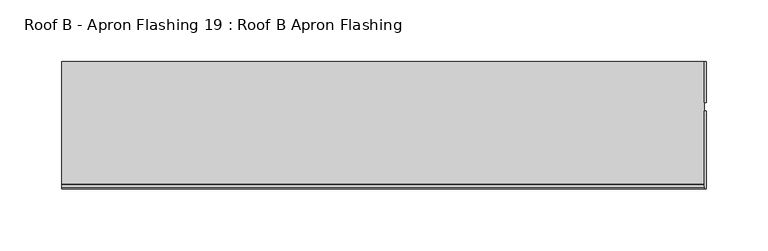
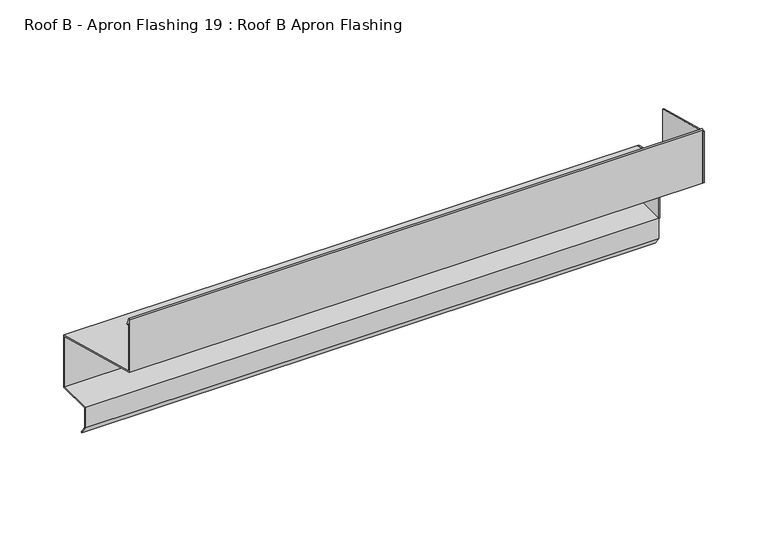
"""IFC4 building model written with IfcOpenShell, lengths in millimetres: proxy geometry, Roof B - Apron Flashing 19 : Roof B Apron Flashing."""

from ifc_helpers import new_model, si_unit, point, frame, frame_2d, origin, place, context, project, spatial, polyline, circle_curve, trimmed, segment, composite_curve, outline, extrude, source, transform, mapped, element, save


def roof_b_apron_flashing_19_roof_b_apron_flashing_e0a83955(model_context):
    return source(origin(), model_context, "Body", "SweptSolid", [
        extrude(outline(polyline([(5660.2773132, -392.0096237), (5627.4023812, -392.0096237), (5627.4023812, -333.2008122), (5660.2773132, -342.0096237), (5660.2773132, -392.0096237)])), frame((13486.0219031, 0.0, 0.0), z_axis=(1.0, 0.0, 0.0), x_axis=(0.0, 1.0, 0.0)), (0.0, 0.0, 1.0), 1.3240587),
        extrude(outline(polyline([(5620.4882944, -283.1155152), (5620.4882944, -332.3834644), (5557.4043312, -315.4801674), (5557.4043312, -266.2122183), (5620.4882944, -283.1155152)])), frame((13486.0219031, 0.0, 0.0), z_axis=(1.0, 0.0, 0.0), x_axis=(0.0, 1.0, 0.0)), (0.0, 0.0, 1.0), 1.3240587),
        extrude(outline(composite_curve([segment(polyline([(5660.2773132, -342.0096237), (5660.2773132, -392.0096237), (5627.6739483, -392.0096237), (5627.6739483, -410.3959053), (5632.884848, -417.8378413), (5632.065696, -418.4114178), (5626.6739483, -410.7112041), (5626.6739483, -391.0096237), (5659.2773132, -391.0096237), (5659.2773132, -342.7769507), (5557.4043312, -315.4801674), (5557.4043312, -264.8977528)]), True, "CONTINUOUS"), segment(trimmed(circle_curve(frame_2d((5558.0833754, -264.8977528)), 0.6790442), [point((5557.4043312, -264.8977528))], [point((5558.7129742, -264.6433784))], False, "CARTESIAN"), True, "CONTINUOUS"), segment(polyline([(5558.7129742, -264.6433784), (5561.1274291, -270.6193639)]), True, "CONTINUOUS"), segment(trimmed(circle_curve(frame_2d((5560.6638371, -270.8066672)), 0.5), [point((5561.1274291, -270.6193639))], [point((5560.2002452, -270.9939705))], False, "CARTESIAN"), True, "CONTINUOUS"), segment(polyline([(5560.2002452, -270.9939705), (5558.4043312, -266.5489273), (5558.4043312, -314.7128405), (5660.2773132, -342.0096237)]), True, "CONTINUOUS")], self_intersect=False)), frame((12966.9913177, 0.0, 0.0), z_axis=(1.0, 0.0, 0.0), x_axis=(0.0, 1.0, 0.0)), (0.0, 0.0, 1.0), 519.0305854),
    ])


if __name__ == "__main__":
    model = new_model("IFC4")
    model_context = context("Model", 3, world=origin())
    ifc_project = project(units=[si_unit("LENGTHUNIT", "METRE", prefix="MILLI")], contexts=[model_context])
    site = spatial("IfcSite", under=ifc_project)
    building = spatial("IfcBuilding", under=site)
    placement = place(None, origin())
    roof_b_apron_flashing_19_roof_b_apron_flashing_shape = roof_b_apron_flashing_19_roof_b_apron_flashing_e0a83955(model_context)
    element("IfcBuildingElementProxy", 1, Name="Roof B - Apron Flashing 19 : Roof B Apron Flashing", ObjectType="Roof B - Apron Flashing 19 : Roof B Apron Flashing", at=placement, inside=building, context=model_context, shape_type="MappedRepresentation", body=[
        mapped(roof_b_apron_flashing_19_roof_b_apron_flashing_shape, transform((0.0, 0.0, 0.0), x_axis=(1.0, 0.0, 0.0), y_axis=(0.0, 1.0, 0.0), z_axis=(0.0, 0.0, 1.0))),
    ])
    save(model, "model.ifc")
